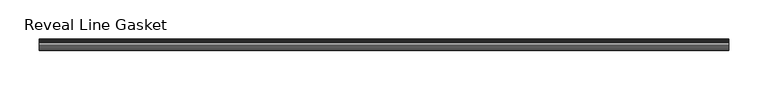
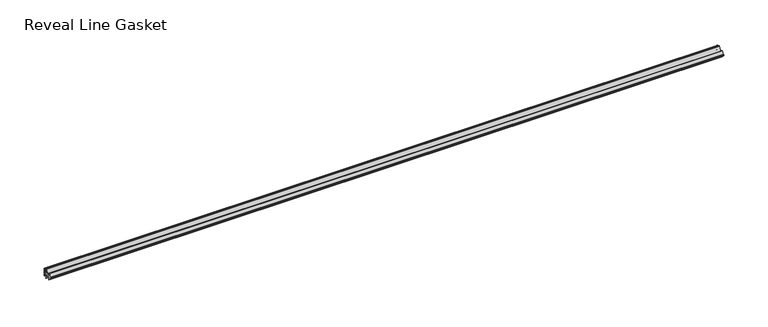
"""IFC4 building model written with IfcOpenShell, lengths in millimetres: furniture geometry, Reveal Line Gasket."""

import ifcopenshell
import ifcopenshell.guid

model = None  # the IFC model being written
_history = None  # IfcOwnerHistory: only IFC2X3 demands one
_inside = {}  # id of a spatial element -> (the spatial element, [elements in it])
_under = {}  # id of a project, library or spatial element -> (it, [spatial elements below it])
_declared = {}  # id of a project -> (the project, [libraries it declares])
_typed = {}  # id of a type object -> (the type object, [elements of that type])
_made_of = {}  # id of a material, layer set ... -> (it, [elements and type objects made of it])


def new_model(schema):
    """Start an empty IFC model of exactly this schema.

    Asked for "IFC4X3", IfcOpenShell would pick the latest addendum, in which some entities
    have other attributes; the version numbers below select the first issue.
    IFC2X3 requires an IfcOwnerHistory on every rooted entity: one is made here for all.
    """
    global model, _history
    if schema == "IFC4X3":
        model = ifcopenshell.file(schema_version=(4, 3, 0, 0))
    else:
        model = ifcopenshell.file(schema=schema)
    _inside.clear()
    _under.clear()
    _declared.clear()
    _typed.clear()
    _made_of.clear()
    _history = None
    if model.schema == "IFC2X3":
        org = make("IfcOrganization", Name="unknown")
        user = make(
            "IfcPersonAndOrganization",
            ThePerson=make("IfcPerson", FamilyName="unknown"),
            TheOrganization=org,
        )
        app = make(
            "IfcApplication",
            ApplicationDeveloper=org,
            Version="unknown",
            ApplicationFullName="unknown",
            ApplicationIdentifier="unknown",
        )
        _history = make(
            "IfcOwnerHistory",
            OwningUser=user,
            OwningApplication=app,
            ChangeAction="ADDED",
            CreationDate=0,
        )
    return model


def make(cls, **values):
    """One entity of the class cls with the attributes given. An attribute that is None is left unset."""
    return model.create_entity(
        cls, **{name: value for name, value in values.items() if value is not None}
    )


def rooted(cls, **values):
    """An entity with a GlobalId (a new one), such as an element, a storey or a relation."""
    return make(cls, GlobalId=ifcopenshell.guid.new(), OwnerHistory=_history, **values)


def si_unit(unit_type, name, prefix=None):
    """IfcSIUnit, for example si_unit("LENGTHUNIT", "METRE", prefix="MILLI")."""
    return make("IfcSIUnit", UnitType=unit_type, Prefix=prefix, Name=name)


def assignment(units):
    """IfcUnitAssignment: the units of a project."""
    return None if units is None else make("IfcUnitAssignment", Units=units)


def point(xyz):
    """IfcCartesianPoint."""
    return None if xyz is None else make("IfcCartesianPoint", Coordinates=xyz)


def direction(xyz):
    """IfcDirection."""
    return None if xyz is None else make("IfcDirection", DirectionRatios=xyz)


def frame(location, z_axis=None, x_axis=None):
    """IfcAxis2Placement3D, a coordinate frame: its origin and axes. An axis left out is left unset."""
    return make(
        "IfcAxis2Placement3D",
        Location=point(location),
        Axis=direction(z_axis),
        RefDirection=direction(x_axis),
    )


def frame_2d(location, x_axis=None):
    """IfcAxis2Placement2D, a coordinate frame in the plane: its origin and x axis."""
    return make(
        "IfcAxis2Placement2D", Location=point(location), RefDirection=direction(x_axis)
    )


def origin():
    """The frame at (0, 0, 0) with its axes left unset."""
    return frame((0.0, 0.0, 0.0))


def place(relative_to, where):
    """IfcLocalPlacement: puts the frame where relative to a parent placement (None: the world)."""
    return make(
        "IfcLocalPlacement", PlacementRelTo=relative_to, RelativePlacement=where
    )


def context(
    kind, dimensions, precision=None, world=None, true_north=None, identifier=None
):
    """IfcGeometricRepresentationContext, for example the 3D "Model" context."""
    return make(
        "IfcGeometricRepresentationContext",
        ContextIdentifier=identifier,
        ContextType=kind,
        CoordinateSpaceDimension=dimensions,
        Precision=precision,
        WorldCoordinateSystem=world,
        TrueNorth=true_north,
    )


def project(units=None, contexts=None):
    """IfcProject with its units and contexts."""
    return rooted(
        "IfcProject",
        Name="project",
        RepresentationContexts=contexts,
        UnitsInContext=assignment(units),
    )


def spatial(cls, under=None, at=None, **own):
    """A site, building, storey or space (cls), placed at a placement, below another one or the project."""
    s = rooted(cls, ObjectPlacement=at, **own)
    if under is not None:
        _under.setdefault(under.id(), (under, []))[1].append(s)
    return s


def polyline(points):
    """IfcPolyline through the points."""
    return make("IfcPolyline", Points=[point(p) for p in points])


def circle_curve(where, radius):
    """IfcCircle in the frame where."""
    return make("IfcCircle", Position=where, Radius=radius)


def trimmed(basis, trim1, trim2, sense, master):
    """IfcTrimmedCurve: the piece of a basis curve between two trims."""
    return make(
        "IfcTrimmedCurve",
        BasisCurve=basis,
        Trim1=trim1,
        Trim2=trim2,
        SenseAgreement=sense,
        MasterRepresentation=master,
    )


def segment(curve, same_sense, transition):
    """IfcCompositeCurveSegment."""
    return make(
        "IfcCompositeCurveSegment",
        Transition=transition,
        SameSense=same_sense,
        ParentCurve=curve,
    )


def composite_curve(segments, self_intersect=None):
    """IfcCompositeCurve: segments joined end to end."""
    return make("IfcCompositeCurve", Segments=segments, SelfIntersect=self_intersect)


def outline(outer, holes=None, kind="AREA"):
    """IfcArbitraryClosedProfileDef: a profile drawn as a closed curve; with holes, ...WithVoids."""
    if holes is None:
        return make("IfcArbitraryClosedProfileDef", ProfileType=kind, OuterCurve=outer)
    return make(
        "IfcArbitraryProfileDefWithVoids",
        ProfileType=kind,
        OuterCurve=outer,
        InnerCurves=holes,
    )


def extrude(swept, where, along, depth):
    """IfcExtrudedAreaSolid: the profile swept, set in the frame where, extruded along a direction by depth."""
    return make(
        "IfcExtrudedAreaSolid",
        SweptArea=swept,
        Position=where,
        ExtrudedDirection=direction(along),
        Depth=depth,
    )


def shape(context_of_items, identifier, shape_type, items):
    """IfcShapeRepresentation: the items that make up one representation, for example the "Body"."""
    return make(
        "IfcShapeRepresentation",
        ContextOfItems=context_of_items,
        RepresentationIdentifier=identifier,
        RepresentationType=shape_type,
        Items=items,
    )


def source(mapping_origin, context_of_items, identifier, shape_type, items):
    """IfcRepresentationMap: a shape defined once, which mapped items show again and again."""
    return make(
        "IfcRepresentationMap",
        MappingOrigin=mapping_origin,
        MappedRepresentation=shape(context_of_items, identifier, shape_type, items),
    )


def transform(
    local_origin,
    x_axis=None,
    y_axis=None,
    z_axis=None,
    scale=None,
    scale2=None,
    scale3=None,
    uniform=True,
):
    """IfcCartesianTransformationOperator3D, or its non-uniform kind. x_axis, y_axis, z_axis: its Axis1, 2, 3."""
    if uniform:
        return make(
            "IfcCartesianTransformationOperator3D",
            Axis1=direction(x_axis),
            Axis2=direction(y_axis),
            LocalOrigin=point(local_origin),
            Scale=scale,
            Axis3=direction(z_axis),
        )
    return make(
        "IfcCartesianTransformationOperator3DnonUniform",
        Axis1=direction(x_axis),
        Axis2=direction(y_axis),
        LocalOrigin=point(local_origin),
        Scale=scale,
        Axis3=direction(z_axis),
        Scale2=scale2,
        Scale3=scale3,
    )


def mapped(mapping_source, mapping_target):
    """IfcMappedItem: shows the shape of a source again, moved by a transform."""
    return make(
        "IfcMappedItem", MappingSource=mapping_source, MappingTarget=mapping_target
    )


def made_of(thing, what):
    """Note that an element or type object is made of a material, layer set ...; save() writes the relation."""
    if what is not None:
        _made_of.setdefault(what.id(), (what, []))[1].append(thing)
    return thing


def element(
    cls,
    number,
    at=None,
    inside=None,
    cuts=None,
    type_object=None,
    material=None,
    context=None,
    identifier="Body",
    shape_type=None,
    held_by="IfcProductDefinitionShape",
    body=None,
    shapes=None,
    **own,
):
    """One element of the class cls, such as IfcWall. Its Tag is "e" and its number.

    at: its placement. inside: the storey or other place that contains it. cuts: it is an
    opening in that element (IfcRelVoidsElement). A single representation is given by context,
    identifier, shape_type and body (its items); several are given by shapes. held_by: the class
    of the entity that holds the representations. save() writes the other relations.
    """
    e = rooted(cls, Tag="e%d" % number, ObjectPlacement=at, **own)
    if body is not None:
        shapes = [shape(context, identifier, shape_type, body)]
    if shapes is not None:
        e.Representation = make(held_by, Representations=shapes)
    if inside is not None:
        _inside.setdefault(inside.id(), (inside, []))[1].append(e)
    if cuts is not None:
        rooted(
            "IfcRelVoidsElement", RelatingBuildingElement=cuts, RelatedOpeningElement=e
        )
    if type_object is not None:
        _typed.setdefault(type_object.id(), (type_object, []))[1].append(e)
    return made_of(e, material)


def aggregate(whole, parts):
    """IfcRelAggregates: a whole, such as a stair, and the parts it consists of."""
    return rooted("IfcRelAggregates", RelatingObject=whole, RelatedObjects=parts)


def save(model, path):
    """Write the relations noted so far, then the file.

    IfcRelAggregates (storeys below a building ...), IfcRelContainedInSpatialStructure (elements
    in a storey), IfcRelDefinesByType, IfcRelAssociatesMaterial and IfcRelDeclares: one each for
    every whole, place, type object, material and project.
    """
    for whole, parts in _under.values():
        aggregate(whole, parts)
    for where, things in _inside.values():
        rooted(
            "IfcRelContainedInSpatialStructure",
            RelatedElements=things,
            RelatingStructure=where,
        )
    for kind, things in _typed.values():
        rooted("IfcRelDefinesByType", RelatedObjects=things, RelatingType=kind)
    for what, things in _made_of.values():
        rooted("IfcRelAssociatesMaterial", RelatedObjects=things, RelatingMaterial=what)
    for by, libraries in _declared.values():
        rooted("IfcRelDeclares", RelatingContext=by, RelatedDefinitions=libraries)
    model.write(path)


def reveal_line_gasket_932a528f(model_context):
    return source(origin(), model_context, "Body", "SweptSolid", [
        extrude(outline(composite_curve([segment(polyline([(7.6326998, 1603.2), (7.6326998, 1597.2), (7.4091917, 1596.2445073), (6.8813059, 1595.3115316)]), True, "CONTINUOUS"), segment(trimmed(circle_curve(frame_2d((6.5243141, 1595.5135207)), 0.4101739), [point((6.8813059, 1595.3115316))], [point((6.1246704, 1595.6058653))], False, "CARTESIAN"), True, "CONTINUOUS"), segment(polyline([(6.1246704, 1595.6058653), (6.3626997, 1597.3020914), (6.3626997, 1599.3345473)]), True, "CONTINUOUS"), segment(trimmed(circle_curve(frame_2d((5.6959605, 1598.9180742)), 0.786124), [point((6.3626997, 1599.3345473))], [point((5.0926996, 1599.422125))], True, "CARTESIAN"), True, "CONTINUOUS"), segment(polyline([(5.0926996, 1599.422125), (0.7492996, 1599.422125), (3.7293824, 1594.2604705)]), True, "CONTINUOUS"), segment(trimmed(circle_curve(frame_2d((3.3132479, 1594.1950239)), 0.4212495), [point((3.7293824, 1594.2604705))], [point((3.0485022, 1593.8673642))], False, "CARTESIAN"), True, "CONTINUOUS"), segment(polyline([(3.0485022, 1593.8673642), (-0.5742594, 1599.422125), (-4.8262978, 1599.422125), (-3.1660374, 1596.5464703)]), True, "CONTINUOUS"), segment(trimmed(circle_curve(frame_2d((-3.5978728, 1596.4881145)), 0.4357605), [point((-3.1660374, 1596.5464703))], [point((-3.864328, 1596.1433119))], False, "CARTESIAN"), True, "CONTINUOUS"), segment(polyline([(-3.864328, 1596.1433119), (-6.1944059, 1599.422125), (-7.6326998, 1599.422125), (-7.6326998, 1600.977875), (-6.1944059, 1600.977875), (-3.864328, 1604.2566881)]), True, "CONTINUOUS"), segment(trimmed(circle_curve(frame_2d((-3.5978728, 1603.9118855)), 0.4357605), [point((-3.864328, 1604.2566881))], [point((-3.1660374, 1603.8535297))], False, "CARTESIAN"), True, "CONTINUOUS"), segment(polyline([(-3.1660374, 1603.8535297), (-4.8262978, 1600.977875), (-0.5742594, 1600.977875), (3.0485022, 1606.5326358)]), True, "CONTINUOUS"), segment(trimmed(circle_curve(frame_2d((3.3132479, 1606.2049761)), 0.4212495), [point((3.0485022, 1606.5326358))], [point((3.7293824, 1606.1395295))], False, "CARTESIAN"), True, "CONTINUOUS"), segment(polyline([(3.7293824, 1606.1395295), (0.7492996, 1600.977875), (5.0926996, 1600.977875)]), True, "CONTINUOUS"), segment(trimmed(circle_curve(frame_2d((5.6959605, 1601.4819258)), 0.786124), [point((5.0926996, 1600.977875))], [point((6.3626997, 1601.0654527))], True, "CARTESIAN"), True, "CONTINUOUS"), segment(polyline([(6.3626997, 1601.0654527), (6.3626997, 1603.0979086), (6.1246704, 1604.7941347)]), True, "CONTINUOUS"), segment(trimmed(circle_curve(frame_2d((6.5243141, 1604.8864793)), 0.4101739), [point((6.1246704, 1604.7941347))], [point((6.8813059, 1605.0884684))], False, "CARTESIAN"), True, "CONTINUOUS"), segment(polyline([(6.8813059, 1605.0884684), (7.4091917, 1604.1554927), (7.6326998, 1603.2)]), True, "CONTINUOUS")], self_intersect=False)), frame((-441.5715701, 0.0, 0.0), z_axis=(1.0, 0.0, 0.0), x_axis=(0.0, 1.0, 0.0)), (0.0, 0.0, 1.0), 883.1431403),
    ])


if __name__ == "__main__":
    model = new_model("IFC4")
    model_context = context("Model", 3, world=origin())
    ifc_project = project(units=[si_unit("LENGTHUNIT", "METRE", prefix="MILLI")], contexts=[model_context])
    site = spatial("IfcSite", under=ifc_project)
    building = spatial("IfcBuilding", under=site)
    placement = place(None, origin())
    reveal_line_gasket_shape = reveal_line_gasket_932a528f(model_context)
    element("IfcFurniture", 1, ObjectType="Reveal Line Gasket", at=placement, inside=building, context=model_context, shape_type="MappedRepresentation", body=[
        mapped(reveal_line_gasket_shape, transform((0.0, 0.0, 0.0), x_axis=(1.0, 0.0, 0.0), y_axis=(0.0, 1.0, 0.0), z_axis=(0.0, 0.0, 1.0))),
    ])
    save(model, "model.ifc")
